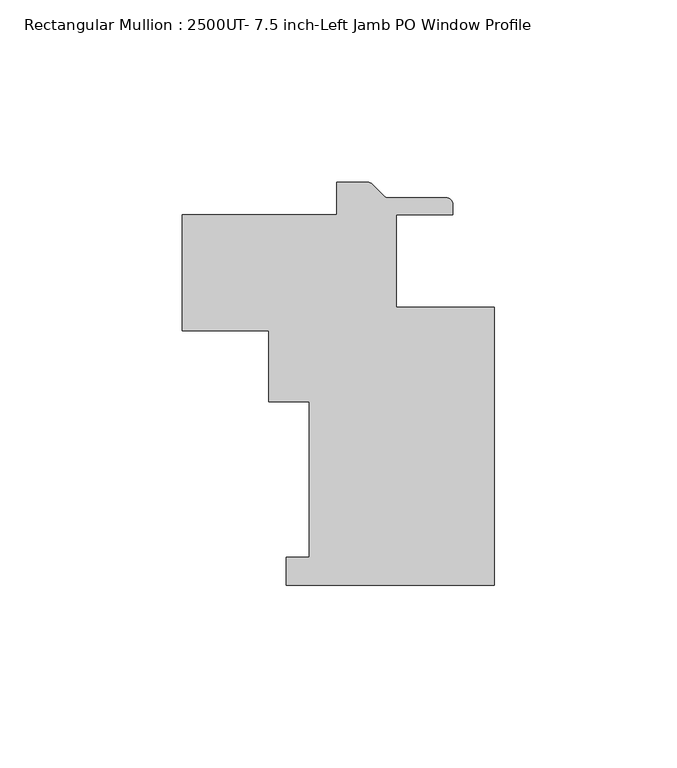
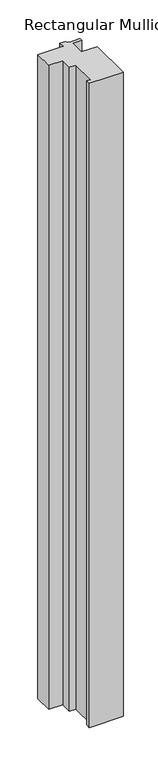
"""IFC4 building model written with IfcOpenShell, lengths in millimetres: member geometry, Rectangular Mullion : 2500UT- 7.5 inch-Left Jamb PO Window Profile."""

from ifc_helpers import new_model, si_unit, point, frame, frame_2d, origin, place, context, project, spatial, polyline, circle_curve, trimmed, segment, composite_curve, outline, extrude, source, transform, mapped, element, save


def rectangular_mullion_2500ut_7_5_inch_left_jamb_po_window_9484b763(model_context):
    return source(origin(), model_context, "Body", "SweptSolid", [
        extrude(outline(composite_curve([segment(polyline([(61.9087917, -88.738075), (4.7587917, -88.738075), (4.7587917, -81.118075), (11.1087917, -81.118075), (11.1087917, -38.414325), (-0.0037083, -38.414325), (-0.0037083, -18.887281), (-23.7998, -18.887281), (-23.7998, 12.862719), (18.6724413, 12.862719), (18.6724413, 21.828125), (27.0362618, 21.828125)]), True, "CONTINUOUS"), segment(trimmed(circle_curve(frame_2d((27.0362618, 20.050125)), 1.778), [point((27.0362618, 21.828125))], [point((28.2934976, 21.3073609))], False, "CARTESIAN"), True, "CONTINUOUS"), segment(polyline([(28.2934976, 21.3073609), (31.5191693, 18.0816891)]), True, "CONTINUOUS"), segment(trimmed(circle_curve(frame_2d((32.7764052, 19.338925)), 1.778), [point((31.5191693, 18.0816891))], [point((32.7764052, 17.560925))], True, "CARTESIAN"), True, "CONTINUOUS"), segment(polyline([(32.7764052, 17.560925), (48.6444413, 17.560925)]), True, "CONTINUOUS"), segment(trimmed(circle_curve(frame_2d((48.6444413, 15.782925)), 1.778), [point((48.6444413, 17.560925))], [point((50.4224413, 15.782925))], False, "CARTESIAN"), True, "CONTINUOUS"), segment(polyline([(50.4224413, 15.782925), (50.4224413, 12.8619249), (34.9212916, 12.8619249), (34.9212916, -12.5380752), (61.9087917, -12.5380752), (61.9087917, -88.738075)]), True, "CONTINUOUS")], self_intersect=False)), frame((0.0, 0.0, -1154.90625), z_axis=(0.0, 0.0, 1.0), x_axis=(1.0, 0.0, 0.0)), (0.0, 0.0, 1.0), 1154.90625),
    ])


if __name__ == "__main__":
    model = new_model("IFC4")
    model_context = context("Model", 3, world=origin())
    ifc_project = project(units=[si_unit("LENGTHUNIT", "METRE", prefix="MILLI")], contexts=[model_context])
    site = spatial("IfcSite", under=ifc_project)
    building = spatial("IfcBuilding", under=site)
    placement = place(None, origin())
    rectangular_mullion_2500ut_7_5_inch_left_jamb_po_window_shape = rectangular_mullion_2500ut_7_5_inch_left_jamb_po_window_9484b763(model_context)
    element("IfcMember", 1, ObjectType="Rectangular Mullion : 2500UT- 7.5 inch-Left Jamb PO Window Profile", at=placement, inside=building, context=model_context, shape_type="MappedRepresentation", body=[
        mapped(rectangular_mullion_2500ut_7_5_inch_left_jamb_po_window_shape, transform((0.0, 0.0, 0.0), x_axis=(1.0, 0.0, 0.0), y_axis=(0.0, 1.0, 0.0), z_axis=(0.0, 0.0, 1.0))),
    ])
    save(model, "model.ifc")
